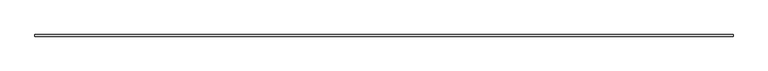
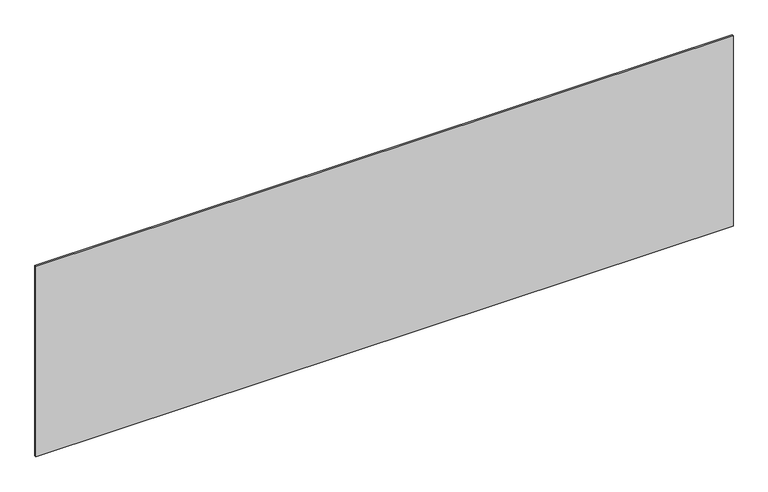
"""IFC4 building model written with IfcOpenShell, lengths in millimetres: plate geometry."""

import ifcopenshell
import ifcopenshell.guid

model = None  # the IFC model being written
_history = None  # IfcOwnerHistory: only IFC2X3 demands one
_inside = {}  # id of a spatial element -> (the spatial element, [elements in it])
_under = {}  # id of a project, library or spatial element -> (it, [spatial elements below it])
_declared = {}  # id of a project -> (the project, [libraries it declares])
_typed = {}  # id of a type object -> (the type object, [elements of that type])
_made_of = {}  # id of a material, layer set ... -> (it, [elements and type objects made of it])


def new_model(schema):
    """Start an empty IFC model of exactly this schema.

    Asked for "IFC4X3", IfcOpenShell would pick the latest addendum, in which some entities
    have other attributes; the version numbers below select the first issue.
    IFC2X3 requires an IfcOwnerHistory on every rooted entity: one is made here for all.
    """
    global model, _history
    if schema == "IFC4X3":
        model = ifcopenshell.file(schema_version=(4, 3, 0, 0))
    else:
        model = ifcopenshell.file(schema=schema)
    _inside.clear()
    _under.clear()
    _declared.clear()
    _typed.clear()
    _made_of.clear()
    _history = None
    if model.schema == "IFC2X3":
        org = make("IfcOrganization", Name="unknown")
        user = make(
            "IfcPersonAndOrganization",
            ThePerson=make("IfcPerson", FamilyName="unknown"),
            TheOrganization=org,
        )
        app = make(
            "IfcApplication",
            ApplicationDeveloper=org,
            Version="unknown",
            ApplicationFullName="unknown",
            ApplicationIdentifier="unknown",
        )
        _history = make(
            "IfcOwnerHistory",
            OwningUser=user,
            OwningApplication=app,
            ChangeAction="ADDED",
            CreationDate=0,
        )
    return model


def make(cls, **values):
    """One entity of the class cls with the attributes given. An attribute that is None is left unset."""
    return model.create_entity(
        cls, **{name: value for name, value in values.items() if value is not None}
    )


def rooted(cls, **values):
    """An entity with a GlobalId (a new one), such as an element, a storey or a relation."""
    return make(cls, GlobalId=ifcopenshell.guid.new(), OwnerHistory=_history, **values)


def si_unit(unit_type, name, prefix=None):
    """IfcSIUnit, for example si_unit("LENGTHUNIT", "METRE", prefix="MILLI")."""
    return make("IfcSIUnit", UnitType=unit_type, Prefix=prefix, Name=name)


def assignment(units):
    """IfcUnitAssignment: the units of a project."""
    return None if units is None else make("IfcUnitAssignment", Units=units)


def point(xyz):
    """IfcCartesianPoint."""
    return None if xyz is None else make("IfcCartesianPoint", Coordinates=xyz)


def direction(xyz):
    """IfcDirection."""
    return None if xyz is None else make("IfcDirection", DirectionRatios=xyz)


def frame(location, z_axis=None, x_axis=None):
    """IfcAxis2Placement3D, a coordinate frame: its origin and axes. An axis left out is left unset."""
    return make(
        "IfcAxis2Placement3D",
        Location=point(location),
        Axis=direction(z_axis),
        RefDirection=direction(x_axis),
    )


def origin():
    """The frame at (0, 0, 0) with its axes left unset."""
    return frame((0.0, 0.0, 0.0))


def origin_with_axes():
    """The frame at (0, 0, 0) with the z axis (0, 0, 1) and the x axis (1, 0, 0) written out."""
    return frame((0.0, 0.0, 0.0), z_axis=(0.0, 0.0, 1.0), x_axis=(1.0, 0.0, 0.0))


def place(relative_to, where):
    """IfcLocalPlacement: puts the frame where relative to a parent placement (None: the world)."""
    return make(
        "IfcLocalPlacement", PlacementRelTo=relative_to, RelativePlacement=where
    )


def context(
    kind, dimensions, precision=None, world=None, true_north=None, identifier=None
):
    """IfcGeometricRepresentationContext, for example the 3D "Model" context."""
    return make(
        "IfcGeometricRepresentationContext",
        ContextIdentifier=identifier,
        ContextType=kind,
        CoordinateSpaceDimension=dimensions,
        Precision=precision,
        WorldCoordinateSystem=world,
        TrueNorth=true_north,
    )


def project(units=None, contexts=None):
    """IfcProject with its units and contexts."""
    return rooted(
        "IfcProject",
        Name="project",
        RepresentationContexts=contexts,
        UnitsInContext=assignment(units),
    )


def spatial(cls, under=None, at=None, **own):
    """A site, building, storey or space (cls), placed at a placement, below another one or the project."""
    s = rooted(cls, ObjectPlacement=at, **own)
    if under is not None:
        _under.setdefault(under.id(), (under, []))[1].append(s)
    return s


def polyline(points):
    """IfcPolyline through the points."""
    return make("IfcPolyline", Points=[point(p) for p in points])


def outline(outer, holes=None, kind="AREA"):
    """IfcArbitraryClosedProfileDef: a profile drawn as a closed curve; with holes, ...WithVoids."""
    if holes is None:
        return make("IfcArbitraryClosedProfileDef", ProfileType=kind, OuterCurve=outer)
    return make(
        "IfcArbitraryProfileDefWithVoids",
        ProfileType=kind,
        OuterCurve=outer,
        InnerCurves=holes,
    )


def extrude(swept, where, along, depth):
    """IfcExtrudedAreaSolid: the profile swept, set in the frame where, extruded along a direction by depth."""
    return make(
        "IfcExtrudedAreaSolid",
        SweptArea=swept,
        Position=where,
        ExtrudedDirection=direction(along),
        Depth=depth,
    )


def shape(context_of_items, identifier, shape_type, items):
    """IfcShapeRepresentation: the items that make up one representation, for example the "Body"."""
    return make(
        "IfcShapeRepresentation",
        ContextOfItems=context_of_items,
        RepresentationIdentifier=identifier,
        RepresentationType=shape_type,
        Items=items,
    )


def source(mapping_origin, context_of_items, identifier, shape_type, items):
    """IfcRepresentationMap: a shape defined once, which mapped items show again and again."""
    return make(
        "IfcRepresentationMap",
        MappingOrigin=mapping_origin,
        MappedRepresentation=shape(context_of_items, identifier, shape_type, items),
    )


def transform(
    local_origin,
    x_axis=None,
    y_axis=None,
    z_axis=None,
    scale=None,
    scale2=None,
    scale3=None,
    uniform=True,
):
    """IfcCartesianTransformationOperator3D, or its non-uniform kind. x_axis, y_axis, z_axis: its Axis1, 2, 3."""
    if uniform:
        return make(
            "IfcCartesianTransformationOperator3D",
            Axis1=direction(x_axis),
            Axis2=direction(y_axis),
            LocalOrigin=point(local_origin),
            Scale=scale,
            Axis3=direction(z_axis),
        )
    return make(
        "IfcCartesianTransformationOperator3DnonUniform",
        Axis1=direction(x_axis),
        Axis2=direction(y_axis),
        LocalOrigin=point(local_origin),
        Scale=scale,
        Axis3=direction(z_axis),
        Scale2=scale2,
        Scale3=scale3,
    )


def mapped(mapping_source, mapping_target):
    """IfcMappedItem: shows the shape of a source again, moved by a transform."""
    return make(
        "IfcMappedItem", MappingSource=mapping_source, MappingTarget=mapping_target
    )


def made_of(thing, what):
    """Note that an element or type object is made of a material, layer set ...; save() writes the relation."""
    if what is not None:
        _made_of.setdefault(what.id(), (what, []))[1].append(thing)
    return thing


def element(
    cls,
    number,
    at=None,
    inside=None,
    cuts=None,
    type_object=None,
    material=None,
    context=None,
    identifier="Body",
    shape_type=None,
    held_by="IfcProductDefinitionShape",
    body=None,
    shapes=None,
    **own,
):
    """One element of the class cls, such as IfcWall. Its Tag is "e" and its number.

    at: its placement. inside: the storey or other place that contains it. cuts: it is an
    opening in that element (IfcRelVoidsElement). A single representation is given by context,
    identifier, shape_type and body (its items); several are given by shapes. held_by: the class
    of the entity that holds the representations. save() writes the other relations.
    """
    e = rooted(cls, Tag="e%d" % number, ObjectPlacement=at, **own)
    if body is not None:
        shapes = [shape(context, identifier, shape_type, body)]
    if shapes is not None:
        e.Representation = make(held_by, Representations=shapes)
    if inside is not None:
        _inside.setdefault(inside.id(), (inside, []))[1].append(e)
    if cuts is not None:
        rooted(
            "IfcRelVoidsElement", RelatingBuildingElement=cuts, RelatedOpeningElement=e
        )
    if type_object is not None:
        _typed.setdefault(type_object.id(), (type_object, []))[1].append(e)
    return made_of(e, material)


def aggregate(whole, parts):
    """IfcRelAggregates: a whole, such as a stair, and the parts it consists of."""
    return rooted("IfcRelAggregates", RelatingObject=whole, RelatedObjects=parts)


def save(model, path):
    """Write the relations noted so far, then the file.

    IfcRelAggregates (storeys below a building ...), IfcRelContainedInSpatialStructure (elements
    in a storey), IfcRelDefinesByType, IfcRelAssociatesMaterial and IfcRelDeclares: one each for
    every whole, place, type object, material and project.
    """
    for whole, parts in _under.values():
        aggregate(whole, parts)
    for where, things in _inside.values():
        rooted(
            "IfcRelContainedInSpatialStructure",
            RelatedElements=things,
            RelatingStructure=where,
        )
    for kind, things in _typed.values():
        rooted("IfcRelDefinesByType", RelatedObjects=things, RelatingType=kind)
    for what, things in _made_of.values():
        rooted("IfcRelAssociatesMaterial", RelatedObjects=things, RelatingMaterial=what)
    for by, libraries in _declared.values():
        rooted("IfcRelDeclares", RelatingContext=by, RelatedDefinitions=libraries)
    model.write(path)


def plate_22da37d4(model_context):
    return source(origin(), model_context, "Body", "SweptSolid", [
        extrude(outline(polyline([(2189.1666667, -5.0), (-2189.1666667, -5.0), (-2189.1666667, 5.0), (2189.1666667, 5.0), (2189.1666667, -5.0)])), origin_with_axes(), (0.0, 0.0, 1.0), 1264.3262548),
    ])


if __name__ == "__main__":
    model = new_model("IFC4")
    model_context = context("Model", 3, world=origin())
    ifc_project = project(units=[si_unit("LENGTHUNIT", "METRE", prefix="MILLI")], contexts=[model_context])
    site = spatial("IfcSite", under=ifc_project)
    building = spatial("IfcBuilding", under=site)
    placement = place(None, origin())
    plate_shape = plate_22da37d4(model_context)
    element("IfcPlate", 1, at=placement, inside=building, context=model_context, shape_type="MappedRepresentation", body=[
        mapped(plate_shape, transform((0.0, 0.0, 0.0), x_axis=(1.0, 0.0, 0.0), y_axis=(0.0, 1.0, 0.0), z_axis=(0.0, 0.0, 1.0))),
    ])
    save(model, "model.ifc")
